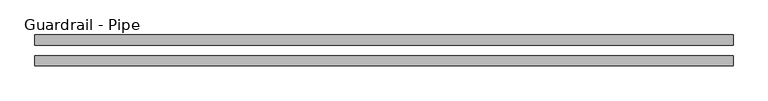
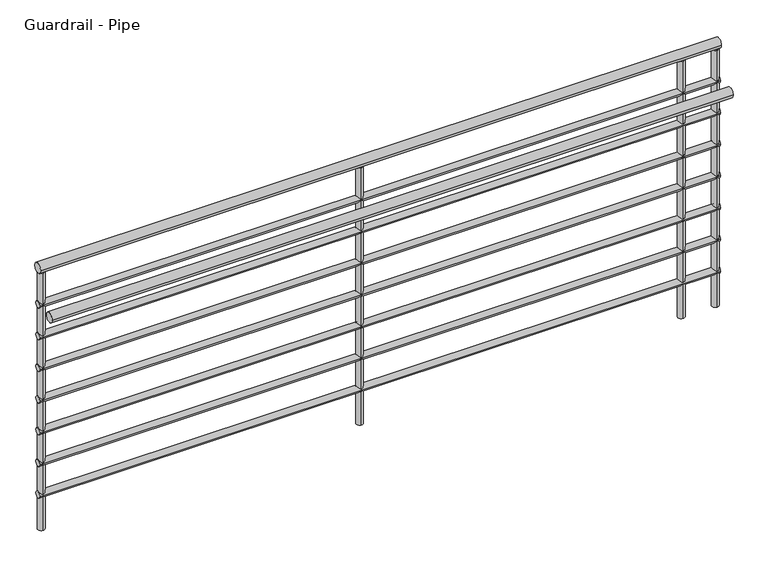
"""IFC4 building model written with IfcOpenShell, lengths in millimetres: railing geometry, Guardrail - Pipe."""

from ifc_helpers import new_model, si_unit, point, frame, frame_2d, origin, place, context, project, spatial, circle_curve, trimmed, segment, composite_curve, outline, extrude, source, transform, mapped, element, save


def guardrail_pipe_dfee1077(model_context):
    return source(origin(), model_context, "Body", "SweptSolid", [
        extrude(outline(composite_curve([segment(trimmed(circle_curve(frame_2d((9207.6808469, 4087.75)), 19.05), [point((9188.6308469, 4087.75))], [point((9226.7308469, 4087.75))], False, "CARTESIAN"), True, "CONTINUOUS"), segment(trimmed(circle_curve(frame_2d((9207.6808469, 4087.75)), 19.05), [point((9226.7308469, 4087.75))], [point((9188.6308469, 4087.75))], False, "CARTESIAN"), True, "CONTINUOUS")], self_intersect=False)), frame((-3573.8715986, 0.0, 0.0), z_axis=(1.0, 0.0, 0.0), x_axis=(0.0, 1.0, 0.0)), (0.0, 0.0, 1.0), 2580.0),
        extrude(outline(composite_curve([segment(trimmed(circle_curve(frame_2d((9207.6808469, 3941.7)), 12.7), [point((9194.9808469, 3941.7))], [point((9220.3808469, 3941.7))], False, "CARTESIAN"), True, "CONTINUOUS"), segment(trimmed(circle_curve(frame_2d((9207.6808469, 3941.7)), 12.7), [point((9220.3808469, 3941.7))], [point((9194.9808469, 3941.7))], False, "CARTESIAN"), True, "CONTINUOUS")], self_intersect=False)), frame((-3573.8715986, 0.0, 0.0), z_axis=(1.0, 0.0, 0.0), x_axis=(0.0, 1.0, 0.0)), (0.0, 0.0, 1.0), 2580.0),
        extrude(outline(composite_curve([segment(trimmed(circle_curve(frame_2d((9131.4808469, 3935.35)), 19.05), [point((9112.4308469, 3935.35))], [point((9150.5308469, 3935.35))], False, "CARTESIAN"), True, "CONTINUOUS"), segment(trimmed(circle_curve(frame_2d((9131.4808469, 3935.35)), 19.05), [point((9150.5308469, 3935.35))], [point((9112.4308469, 3935.35))], False, "CARTESIAN"), True, "CONTINUOUS")], self_intersect=False)), frame((-3573.8715986, 0.0, 0.0), z_axis=(1.0, 0.0, 0.0), x_axis=(0.0, 1.0, 0.0)), (0.0, 0.0, 1.0), 2580.0),
        extrude(outline(composite_curve([segment(trimmed(circle_curve(frame_2d((9207.6808469, 3814.7)), 12.7), [point((9194.9808469, 3814.7))], [point((9220.3808469, 3814.7))], False, "CARTESIAN"), True, "CONTINUOUS"), segment(trimmed(circle_curve(frame_2d((9207.6808469, 3814.7)), 12.7), [point((9220.3808469, 3814.7))], [point((9194.9808469, 3814.7))], False, "CARTESIAN"), True, "CONTINUOUS")], self_intersect=False)), frame((-3573.8715986, 0.0, 0.0), z_axis=(1.0, 0.0, 0.0), x_axis=(0.0, 1.0, 0.0)), (0.0, 0.0, 1.0), 2580.0),
        extrude(outline(composite_curve([segment(trimmed(circle_curve(frame_2d((9207.6808469, 3687.7)), 12.7), [point((9194.9808469, 3687.7))], [point((9220.3808469, 3687.7))], False, "CARTESIAN"), True, "CONTINUOUS"), segment(trimmed(circle_curve(frame_2d((9207.6808469, 3687.7)), 12.7), [point((9220.3808469, 3687.7))], [point((9194.9808469, 3687.7))], False, "CARTESIAN"), True, "CONTINUOUS")], self_intersect=False)), frame((-3573.8715986, 0.0, 0.0), z_axis=(1.0, 0.0, 0.0), x_axis=(0.0, 1.0, 0.0)), (0.0, 0.0, 1.0), 2580.0),
        extrude(outline(composite_curve([segment(trimmed(circle_curve(frame_2d((9207.6808469, 3560.7)), 12.7), [point((9194.9808469, 3560.7))], [point((9220.3808469, 3560.7))], False, "CARTESIAN"), True, "CONTINUOUS"), segment(trimmed(circle_curve(frame_2d((9207.6808469, 3560.7)), 12.7), [point((9220.3808469, 3560.7))], [point((9194.9808469, 3560.7))], False, "CARTESIAN"), True, "CONTINUOUS")], self_intersect=False)), frame((-3573.8715986, 0.0, 0.0), z_axis=(1.0, 0.0, 0.0), x_axis=(0.0, 1.0, 0.0)), (0.0, 0.0, 1.0), 2580.0),
        extrude(outline(composite_curve([segment(trimmed(circle_curve(frame_2d((9207.6808469, 3433.7)), 12.7), [point((9194.9808469, 3433.7))], [point((9220.3808469, 3433.7))], False, "CARTESIAN"), True, "CONTINUOUS"), segment(trimmed(circle_curve(frame_2d((9207.6808469, 3433.7)), 12.7), [point((9220.3808469, 3433.7))], [point((9194.9808469, 3433.7))], False, "CARTESIAN"), True, "CONTINUOUS")], self_intersect=False)), frame((-3573.8715986, 0.0, 0.0), z_axis=(1.0, 0.0, 0.0), x_axis=(0.0, 1.0, 0.0)), (0.0, 0.0, 1.0), 2580.0),
        extrude(outline(composite_curve([segment(trimmed(circle_curve(frame_2d((9207.6808469, 3306.7)), 12.7), [point((9194.9808469, 3306.7))], [point((9220.3808469, 3306.7))], False, "CARTESIAN"), True, "CONTINUOUS"), segment(trimmed(circle_curve(frame_2d((9207.6808469, 3306.7)), 12.7), [point((9220.3808469, 3306.7))], [point((9194.9808469, 3306.7))], False, "CARTESIAN"), True, "CONTINUOUS")], self_intersect=False)), frame((-3573.8715986, 0.0, 0.0), z_axis=(1.0, 0.0, 0.0), x_axis=(0.0, 1.0, 0.0)), (0.0, 0.0, 1.0), 2580.0),
        extrude(outline(composite_curve([segment(trimmed(circle_curve(frame_2d((9207.6808469, 3179.7)), 12.7), [point((9194.9808469, 3179.7))], [point((9220.3808469, 3179.7))], False, "CARTESIAN"), True, "CONTINUOUS"), segment(trimmed(circle_curve(frame_2d((9207.6808469, 3179.7)), 12.7), [point((9220.3808469, 3179.7))], [point((9194.9808469, 3179.7))], False, "CARTESIAN"), True, "CONTINUOUS")], self_intersect=False)), frame((-3573.8715986, 0.0, 0.0), z_axis=(1.0, 0.0, 0.0), x_axis=(0.0, 1.0, 0.0)), (0.0, 0.0, 1.0), 2580.0),
        extrude(outline(composite_curve([segment(trimmed(circle_curve(frame_2d((-1135.4715986, 9207.6808469)), 12.7), [point((-1135.4715986, 9194.9808469))], [point((-1135.4715986, 9220.3808469))], False, "CARTESIAN"), True, "CONTINUOUS"), segment(trimmed(circle_curve(frame_2d((-1135.4715986, 9207.6808469)), 12.7), [point((-1135.4715986, 9220.3808469))], [point((-1135.4715986, 9194.9808469))], False, "CARTESIAN"), True, "CONTINUOUS")], self_intersect=False)), frame((0.0, 0.0, 3040.0), z_axis=(0.0, 0.0, 1.0), x_axis=(1.0, 0.0, 0.0)), (0.0, 0.0, 1.0), 1028.7),
        extrude(outline(composite_curve([segment(trimmed(circle_curve(frame_2d((-2354.6715986, 9207.6808469)), 12.7), [point((-2354.6715986, 9194.9808469))], [point((-2354.6715986, 9220.3808469))], False, "CARTESIAN"), True, "CONTINUOUS"), segment(trimmed(circle_curve(frame_2d((-2354.6715986, 9207.6808469)), 12.7), [point((-2354.6715986, 9220.3808469))], [point((-2354.6715986, 9194.9808469))], False, "CARTESIAN"), True, "CONTINUOUS")], self_intersect=False)), frame((0.0, 0.0, 3040.0), z_axis=(0.0, 0.0, 1.0), x_axis=(1.0, 0.0, 0.0)), (0.0, 0.0, 1.0), 1028.7),
        extrude(outline(composite_curve([segment(trimmed(circle_curve(frame_2d((-1006.5715986, 9207.6808469)), 12.7), [point((-1006.5715986, 9194.9808469))], [point((-1006.5715986, 9220.3808469))], False, "CARTESIAN"), True, "CONTINUOUS"), segment(trimmed(circle_curve(frame_2d((-1006.5715986, 9207.6808469)), 12.7), [point((-1006.5715986, 9220.3808469))], [point((-1006.5715986, 9194.9808469))], False, "CARTESIAN"), True, "CONTINUOUS")], self_intersect=False)), frame((0.0, 0.0, 3040.0), z_axis=(0.0, 0.0, 1.0), x_axis=(1.0, 0.0, 0.0)), (0.0, 0.0, 1.0), 1028.7),
        extrude(outline(composite_curve([segment(trimmed(circle_curve(frame_2d((-3561.1715986, 9207.6808469)), 12.7), [point((-3561.1715986, 9194.9808469))], [point((-3561.1715986, 9220.3808469))], False, "CARTESIAN"), True, "CONTINUOUS"), segment(trimmed(circle_curve(frame_2d((-3561.1715986, 9207.6808469)), 12.7), [point((-3561.1715986, 9220.3808469))], [point((-3561.1715986, 9194.9808469))], False, "CARTESIAN"), True, "CONTINUOUS")], self_intersect=False)), frame((0.0, 0.0, 3040.0), z_axis=(0.0, 0.0, 1.0), x_axis=(1.0, 0.0, 0.0)), (0.0, 0.0, 1.0), 1028.7),
    ])


if __name__ == "__main__":
    model = new_model("IFC4")
    model_context = context("Model", 3, world=origin())
    ifc_project = project(units=[si_unit("LENGTHUNIT", "METRE", prefix="MILLI")], contexts=[model_context])
    site = spatial("IfcSite", under=ifc_project)
    building = spatial("IfcBuilding", under=site)
    placement = place(None, origin())
    guardrail_pipe_shape = guardrail_pipe_dfee1077(model_context)
    element("IfcRailing", 1, ObjectType="Guardrail - Pipe", at=placement, inside=building, context=model_context, shape_type="MappedRepresentation", body=[
        mapped(guardrail_pipe_shape, transform((0.0, 0.0, 0.0), x_axis=(1.0, 0.0, 0.0), y_axis=(0.0, 1.0, 0.0), z_axis=(0.0, 0.0, 1.0))),
    ])
    save(model, "model.ifc")
